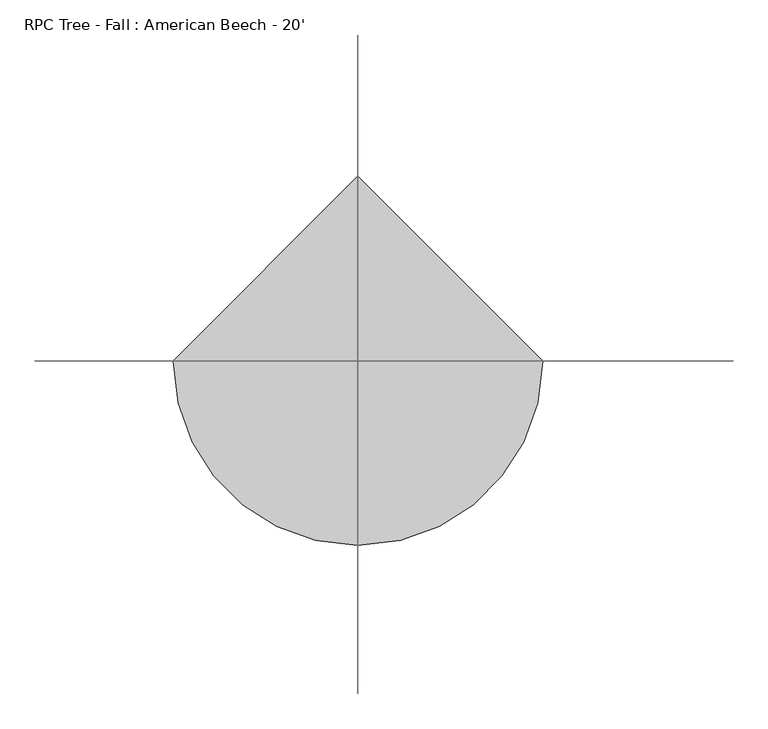
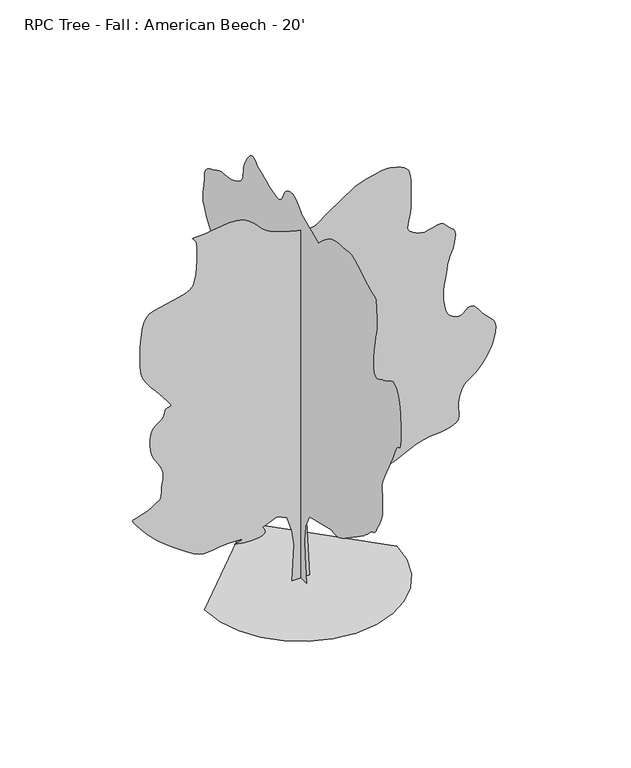
"""IFC4 building model written with IfcOpenShell, lengths in millimetres: geographic element geometry, RPC Tree - Fall : American Beech - 20'."""

import ifcopenshell
import ifcopenshell.guid

model = None  # the IFC model being written
_history = None  # IfcOwnerHistory: only IFC2X3 demands one
_inside = {}  # id of a spatial element -> (the spatial element, [elements in it])
_under = {}  # id of a project, library or spatial element -> (it, [spatial elements below it])
_declared = {}  # id of a project -> (the project, [libraries it declares])
_typed = {}  # id of a type object -> (the type object, [elements of that type])
_made_of = {}  # id of a material, layer set ... -> (it, [elements and type objects made of it])


def new_model(schema):
    """Start an empty IFC model of exactly this schema.

    Asked for "IFC4X3", IfcOpenShell would pick the latest addendum, in which some entities
    have other attributes; the version numbers below select the first issue.
    IFC2X3 requires an IfcOwnerHistory on every rooted entity: one is made here for all.
    """
    global model, _history
    if schema == "IFC4X3":
        model = ifcopenshell.file(schema_version=(4, 3, 0, 0))
    else:
        model = ifcopenshell.file(schema=schema)
    _inside.clear()
    _under.clear()
    _declared.clear()
    _typed.clear()
    _made_of.clear()
    _history = None
    if model.schema == "IFC2X3":
        org = make("IfcOrganization", Name="unknown")
        user = make(
            "IfcPersonAndOrganization",
            ThePerson=make("IfcPerson", FamilyName="unknown"),
            TheOrganization=org,
        )
        app = make(
            "IfcApplication",
            ApplicationDeveloper=org,
            Version="unknown",
            ApplicationFullName="unknown",
            ApplicationIdentifier="unknown",
        )
        _history = make(
            "IfcOwnerHistory",
            OwningUser=user,
            OwningApplication=app,
            ChangeAction="ADDED",
            CreationDate=0,
        )
    return model


def make(cls, **values):
    """One entity of the class cls with the attributes given. An attribute that is None is left unset."""
    return model.create_entity(
        cls, **{name: value for name, value in values.items() if value is not None}
    )


def rooted(cls, **values):
    """An entity with a GlobalId (a new one), such as an element, a storey or a relation."""
    return make(cls, GlobalId=ifcopenshell.guid.new(), OwnerHistory=_history, **values)


def si_unit(unit_type, name, prefix=None):
    """IfcSIUnit, for example si_unit("LENGTHUNIT", "METRE", prefix="MILLI")."""
    return make("IfcSIUnit", UnitType=unit_type, Prefix=prefix, Name=name)


def assignment(units):
    """IfcUnitAssignment: the units of a project."""
    return None if units is None else make("IfcUnitAssignment", Units=units)


def point(xyz):
    """IfcCartesianPoint."""
    return None if xyz is None else make("IfcCartesianPoint", Coordinates=xyz)


def direction(xyz):
    """IfcDirection."""
    return None if xyz is None else make("IfcDirection", DirectionRatios=xyz)


def frame(location, z_axis=None, x_axis=None):
    """IfcAxis2Placement3D, a coordinate frame: its origin and axes. An axis left out is left unset."""
    return make(
        "IfcAxis2Placement3D",
        Location=point(location),
        Axis=direction(z_axis),
        RefDirection=direction(x_axis),
    )


def origin():
    """The frame at (0, 0, 0) with its axes left unset."""
    return frame((0.0, 0.0, 0.0))


def place(relative_to, where):
    """IfcLocalPlacement: puts the frame where relative to a parent placement (None: the world)."""
    return make(
        "IfcLocalPlacement", PlacementRelTo=relative_to, RelativePlacement=where
    )


def context(
    kind, dimensions, precision=None, world=None, true_north=None, identifier=None
):
    """IfcGeometricRepresentationContext, for example the 3D "Model" context."""
    return make(
        "IfcGeometricRepresentationContext",
        ContextIdentifier=identifier,
        ContextType=kind,
        CoordinateSpaceDimension=dimensions,
        Precision=precision,
        WorldCoordinateSystem=world,
        TrueNorth=true_north,
    )


def project(units=None, contexts=None):
    """IfcProject with its units and contexts."""
    return rooted(
        "IfcProject",
        Name="project",
        RepresentationContexts=contexts,
        UnitsInContext=assignment(units),
    )


def spatial(cls, under=None, at=None, **own):
    """A site, building, storey or space (cls), placed at a placement, below another one or the project."""
    s = rooted(cls, ObjectPlacement=at, **own)
    if under is not None:
        _under.setdefault(under.id(), (under, []))[1].append(s)
    return s


def point_list(points):
    """IfcCartesianPointList2D or 3D."""
    cls = (
        "IfcCartesianPointList2D" if len(points[0]) == 2 else "IfcCartesianPointList3D"
    )
    return make(cls, CoordList=points)


def triangles(points, corners, closed=None, point_numbers=None):
    """IfcTriangulatedFaceSet: each triangle names its three corners, points numbered from 1."""
    return make(
        "IfcTriangulatedFaceSet",
        Coordinates=point_list(points),
        Closed=closed,
        CoordIndex=corners,
        PnIndex=point_numbers,
    )


def shape(context_of_items, identifier, shape_type, items):
    """IfcShapeRepresentation: the items that make up one representation, for example the "Body"."""
    return make(
        "IfcShapeRepresentation",
        ContextOfItems=context_of_items,
        RepresentationIdentifier=identifier,
        RepresentationType=shape_type,
        Items=items,
    )


def source(mapping_origin, context_of_items, identifier, shape_type, items):
    """IfcRepresentationMap: a shape defined once, which mapped items show again and again."""
    return make(
        "IfcRepresentationMap",
        MappingOrigin=mapping_origin,
        MappedRepresentation=shape(context_of_items, identifier, shape_type, items),
    )


def transform(
    local_origin,
    x_axis=None,
    y_axis=None,
    z_axis=None,
    scale=None,
    scale2=None,
    scale3=None,
    uniform=True,
):
    """IfcCartesianTransformationOperator3D, or its non-uniform kind. x_axis, y_axis, z_axis: its Axis1, 2, 3."""
    if uniform:
        return make(
            "IfcCartesianTransformationOperator3D",
            Axis1=direction(x_axis),
            Axis2=direction(y_axis),
            LocalOrigin=point(local_origin),
            Scale=scale,
            Axis3=direction(z_axis),
        )
    return make(
        "IfcCartesianTransformationOperator3DnonUniform",
        Axis1=direction(x_axis),
        Axis2=direction(y_axis),
        LocalOrigin=point(local_origin),
        Scale=scale,
        Axis3=direction(z_axis),
        Scale2=scale2,
        Scale3=scale3,
    )


def mapped(mapping_source, mapping_target):
    """IfcMappedItem: shows the shape of a source again, moved by a transform."""
    return make(
        "IfcMappedItem", MappingSource=mapping_source, MappingTarget=mapping_target
    )


def made_of(thing, what):
    """Note that an element or type object is made of a material, layer set ...; save() writes the relation."""
    if what is not None:
        _made_of.setdefault(what.id(), (what, []))[1].append(thing)
    return thing


def element(
    cls,
    number,
    at=None,
    inside=None,
    cuts=None,
    type_object=None,
    material=None,
    context=None,
    identifier="Body",
    shape_type=None,
    held_by="IfcProductDefinitionShape",
    body=None,
    shapes=None,
    **own,
):
    """One element of the class cls, such as IfcWall. Its Tag is "e" and its number.

    at: its placement. inside: the storey or other place that contains it. cuts: it is an
    opening in that element (IfcRelVoidsElement). A single representation is given by context,
    identifier, shape_type and body (its items); several are given by shapes. held_by: the class
    of the entity that holds the representations. save() writes the other relations.
    """
    e = rooted(cls, Tag="e%d" % number, ObjectPlacement=at, **own)
    if body is not None:
        shapes = [shape(context, identifier, shape_type, body)]
    if shapes is not None:
        e.Representation = make(held_by, Representations=shapes)
    if inside is not None:
        _inside.setdefault(inside.id(), (inside, []))[1].append(e)
    if cuts is not None:
        rooted(
            "IfcRelVoidsElement", RelatingBuildingElement=cuts, RelatedOpeningElement=e
        )
    if type_object is not None:
        _typed.setdefault(type_object.id(), (type_object, []))[1].append(e)
    return made_of(e, material)


def aggregate(whole, parts):
    """IfcRelAggregates: a whole, such as a stair, and the parts it consists of."""
    return rooted("IfcRelAggregates", RelatingObject=whole, RelatedObjects=parts)


def save(model, path):
    """Write the relations noted so far, then the file.

    IfcRelAggregates (storeys below a building ...), IfcRelContainedInSpatialStructure (elements
    in a storey), IfcRelDefinesByType, IfcRelAssociatesMaterial and IfcRelDeclares: one each for
    every whole, place, type object, material and project.
    """
    for whole, parts in _under.values():
        aggregate(whole, parts)
    for where, things in _inside.values():
        rooted(
            "IfcRelContainedInSpatialStructure",
            RelatedElements=things,
            RelatingStructure=where,
        )
    for kind, things in _typed.values():
        rooted("IfcRelDefinesByType", RelatedObjects=things, RelatingType=kind)
    for what, things in _made_of.values():
        rooted("IfcRelAssociatesMaterial", RelatedObjects=things, RelatingMaterial=what)
    for by, libraries in _declared.values():
        rooted("IfcRelDeclares", RelatingContext=by, RelatedDefinitions=libraries)
    model.write(path)


def rpc_tree_fall_american_beech_20_b3c041c8(model_context):
    return source(origin(), model_context, "Body", "Tessellation", [
        triangles([(0.0009889, 136.856581, 0.0), (0.0009889, -149.8547884, 0.0), (0.0009889, -111.6264895, 420.510052), (0.0009889, -102.0697236, 659.4353302), (0.0009889, -121.1832463, 898.3606447), (0.0009889, -235.8678885, 1118.172373), (0.0009889, -818.8458761, 1261.5275036), (0.0009889, -849.9431059, 1249.7139805), (0.0009889, -883.2933231, 1240.7427258), (0.0009889, -921.1596891, 1237.4533916), (0.0009889, -965.7976622, 1242.6934788), (0.0009889, -1019.4603024, 1259.3000233), (0.0009889, -1084.4081549, 1290.1152935), (0.0009889, -1162.8992941, 1337.984174), (0.0009889, -1478.2811337, 1557.7959023), (0.0009889, -1522.8632961, 1589.1420994), (0.0009889, -1566.942437, 1618.9819931), (0.0009889, -1611.1893002, 1649.3249084), (0.0009889, -1656.2718681, 1682.1772636), (0.0009889, -1702.8579781, 1719.5406807), (0.0009889, -1751.6183739, 1763.4243393), (0.0009889, -1803.2210381, 1815.834803), (0.0009889, -1847.9404015, 1858.0191467), (0.0009889, -1878.9512993, 1877.1351311), (0.0009889, -1901.2702858, 1884.0440117), (0.0009889, -1919.9112991, 1889.616782), (0.0009889, -1939.8884228, 1904.7196392), (0.0009889, -1966.2180656, 1940.2161644), (0.0009889, -2003.916782, 2006.9774963), (0.0009889, -2044.9607883, 2083.2080177), (0.0009889, -2078.313549, 2145.2324295), (0.0009889, -2104.4754696, 2201.0692829), (0.0009889, -2123.9521877, 2258.7475937), (0.0009889, -2137.244109, 2326.2862038), (0.0009889, -2144.8488773, 2411.7141289), (0.0009889, -2147.2746014, 2523.0550072), (0.0009889, -2142.5373905, 2624.8889076), (0.0009889, -2132.7863869, 2688.2873634), (0.0009889, -2124.7040314, 2730.9338882), (0.0009889, -2124.9835201, 2770.583503), (0.0009889, -2140.3072941, 2824.9394875), (0.0009889, -2177.3659332, 2911.7568626), (0.0009889, -2242.84464, 3048.6883301), (0.0009889, -2308.7119858, 3181.9621719), (0.0009889, -2348.5011269, 3259.3812836), (0.0009889, -2371.2366577, 3301.215358), (0.0009889, -2385.9484051, 3327.6567673), (0.0009889, -2401.6632889, 3358.9496246), (0.0009889, -2427.4088104, 3415.3121727), (0.0009889, -2472.2118896, 3516.9885246), (0.0009889, -2522.8114174, 3609.6476944), (0.0009889, -2561.0332123, 3645.1568642), (0.0009889, -2588.5669968, 3652.9040657), (0.0009889, -2607.0580193, 3662.3273277), (0.0009889, -2618.2087921, 3702.8402618), (0.0009889, -2623.669796, 3803.856189), (0.0009889, -2625.117382, 3994.8390083), (0.0009889, -2615.3639076, 4210.713913), (0.0009889, -2589.2271309, 4371.4450905), (0.0009889, -2551.406765, 4483.8402649), (0.0009889, -2506.5400269, 4554.7824463), (0.0009889, -2459.3391289, 4591.1043571), (0.0009889, -2414.4802391, 4599.6895889), (0.0009889, -2376.641851, 4587.3705734), (0.0009889, -2343.8477772, 4566.9491455), (0.0009889, -2310.8862717, 4546.8576393), (0.0009889, -2277.5893215, 4527.4521378), (0.0009889, -2243.7921112, 4509.0116936), (0.0009889, -2209.3243023, 4491.9426773), (0.0009889, -2174.0232594, 4476.5250137), (0.0009889, -2137.7164639, 4463.1392029), (0.0009889, -2096.4236355, 4443.6572525), (0.0009889, -2049.6139927, 4418.4858238), (0.0009889, -2002.3013283, 4400.6805153), (0.0009889, -1959.504958, 4403.2713455), (0.0009889, -1926.2359131, 4439.313913), (0.0009889, -1907.5110386, 4521.8132378), (0.0009889, -1908.3467434, 4663.8246277), (0.0009889, -1923.6450829, 4819.4253044), (0.0009889, -1942.954224, 4940.7356323), (0.0009889, -1963.266647, 5037.9669067), (0.0009889, -1981.572361, 5121.3298416), (0.0009889, -1994.8642822, 5201.0354416), (0.0009889, -2000.1296585, 5287.2429703), (0.0009889, -1994.3614059, 5390.1634323), (0.0009889, -1986.3653824, 5488.9190323), (0.0009889, -1983.048143, 5559.911792), (0.0009889, -1978.5625156, 5609.3407516), (0.0009889, -1967.0562412, 5643.3764648), (0.0009889, -1942.6748806, 5668.2429703), (0.0009889, -1899.5709709, 5690.0869858), (0.0009889, -1831.8926891, 5715.1063889), (0.0009889, -1748.4408062, 5751.9616974), (0.0009889, -1662.820015, 5800.5261749), (0.0009889, -1576.3582867, 5853.7903656), (0.0009889, -1490.4020508, 5904.6919098), (0.0009889, -1406.2848015, 5946.2207703), (0.0009889, -1325.3426491, 5971.3924896), (0.0009889, -1248.913884, 5973.1447083), (0.0009889, -1174.2403896, 5963.3406555), (0.0009889, -1098.5636135, 5956.711409), (0.0009889, -1023.222064, 5950.5641098), (0.0009889, -949.5518515, 5942.2588028), (0.0009889, -878.8914843, 5929.1264648), (0.0009889, -812.5771454, 5908.4509827), (0.0009889, -751.9472706, 5877.5644958), (0.0009889, -697.9494038, 5841.2678741), (0.0009889, -649.9687569, 5805.9618896), (0.0009889, -607.0045916, 5771.4942261), (0.0009889, -568.0511189, 5737.7119858), (0.0009889, -532.1075644, 5704.4128555), (0.0009889, -498.1706097, 5671.4433563), (0.0009889, -465.2369368, 5638.6523346), (0.0009889, -16.056217, 5829.7871796), (0.0009889, 22.8405617, 5872.4339951), (0.0009889, 61.6537222, 5913.023378), (0.0009889, 100.2998553, 5949.3961578), (0.0009889, 138.6950317, 5979.5204819), (0.0009889, 176.7559443, 6001.2883392), (0.0009889, 214.3990318, 6012.5911377), (0.0009889, 251.5404602, 6011.3720261), (0.0009889, 287.2056524, 6002.4312927), (0.0009889, 320.3628219, 5991.305809), (0.0009889, 350.8454089, 5977.0055191), (0.0009889, 378.4856913, 5958.5397858), (0.0009889, 403.1160919, 5934.892392), (0.0009889, 424.5689612, 5905.047702), (0.0009889, 442.6817001, 5868.0144974), (0.0009889, 459.9562634, 5826.9425858), (0.0009889, 480.2407084, 5787.547316), (0.0009889, 505.3740581, 5752.6727005), (0.0009889, 537.1926464, 5725.138916), (0.0009889, 577.5380399, 5707.7911377), (0.0009889, 628.2491524, 5703.5239563), (0.0009889, 691.1650068, 5715.1063889), (0.0009889, 759.6790661, 5736.9754028), (0.0009889, 826.1890326, 5761.3593796), (0.0009889, 891.0251186, 5787.8263687), (0.0009889, 954.5251671, 5815.9694183), (0.0009889, 1017.0218611, 5845.3577408), (0.0009889, 1078.8506453, 5875.5832214), (0.0009889, 1140.3440575, 5906.2412338), (0.0009889, 1169.0715191, 5932.3524307), (0.0009889, 1198.1316639, 5955.3649796), (0.0009889, 1227.8624073, 5972.2052307), (0.0009889, 1258.5938164, 5979.7489563), (0.0009889, 1290.6664227, 5974.9230881), (0.0009889, 1324.4078224, 5954.6539764), (0.0009889, 1360.1557858, 5915.7918137), (0.0009889, 1395.1799561, 5868.217392), (0.0009889, 1426.1908539, 5822.9544571), (0.0009889, 1452.6880737, 5778.8856354), (0.0009889, 1474.1715008, 5734.7912338), (0.0009889, 1490.1379681, 5689.5538788), (0.0009889, 1500.0845993, 5641.9538773), (0.0009889, 1503.510989, 5590.8494385), (0.0009889, 1507.2168674, 5539.3380478), (0.0009889, 1519.1142517, 5491.1793594), (0.0009889, 1540.3740005, 5446.1704788), (0.0009889, 1572.1672634, 5404.1846695), (0.0009889, 1615.6596668, 5365.0428726), (0.0009889, 1672.0274471, 5328.5689362), (0.0009889, 1742.4363762, 5294.5832199), (0.0009889, 1817.5288857, 5269.1836075), (0.0009889, 1887.9378147, 5255.1373718), (0.0009889, 1954.8363476, 5247.4407486), (0.0009889, 2019.3956337, 5241.0911362), (0.0009889, 2082.7839157, 5231.0580276), (0.0009889, 2146.1721977, 5212.3382401), (0.0009889, 2210.7313385, 5179.9024292), (0.0009889, 2276.3498623, 5145.3580261), (0.0009889, 2340.1267834, 5118.8404587), (0.0009889, 2399.0573433, 5093.1356323), (0.0009889, 2450.1315514, 5061.106192), (0.0009889, 2490.3372368, 5015.5136261), (0.0009889, 2516.667025, 4949.193837), (0.0009889, 2526.1132507, 4854.9597633), (0.0009889, 2532.46577, 4758.008123), (0.0009889, 2546.5044479, 4681.9348595), (0.0009889, 2560.7285797, 4617.2411339), (0.0009889, 2567.5865913, 4554.3760757), (0.0009889, 2559.5600464, 4483.8402649), (0.0009889, 2529.1232414, 4396.0578323), (0.0009889, 2468.7702393, 4281.5543564), (0.0009889, 2394.0992157, 4166.6192207), (0.0009889, 2326.6139454, 4078.2525215), (0.0009889, 2267.6553349, 4007.9707649), (0.0009889, 2218.5596397, 3947.1884285), (0.0009889, 2180.6679119, 3887.4223091), (0.0009889, 2155.3111748, 3820.1377533), (0.0009889, 2143.8328056, 3736.8001076), (0.0009889, 2149.4334812, 3646.0204742), (0.0009889, 2171.0820145, 3561.7686401), (0.0009889, 2203.7667927, 3483.5112076), (0.0009889, 2242.4687908, 3410.790937), (0.0009889, 2282.1714546, 3343.1000107), (0.0009889, 2317.8662235, 3279.9047401), (0.0009889, 2344.5311657, 3220.7225967), (0.0009889, 2370.3577869, 3180.6921913), (0.0009889, 2402.5396889, 3164.8934464), (0.0009889, 2434.5538685, 3157.7813805), (0.0009889, 2459.8827003, 3143.8113029), (0.0009889, 2472.0037628, 3107.4638123), (0.0009889, 2464.3963783, 3033.1433487), (0.0009889, 2430.5432121, 2905.3305107), (0.0009889, 2383.9011463, 2761.3378464), (0.0009889, 2340.6017544, 2643.9136185), (0.0009889, 2298.1379219, 2545.7425758), (0.0009889, 2254.0028252, 2459.415287), (0.0009889, 2205.6894951, 2377.6095245), (0.0009889, 2150.6857304, 2292.9614937), (0.0009889, 2086.4897942, 2198.1177189), (0.0009889, 2022.098085, 2102.5196297), (0.0009889, 1968.0723129, 2019.6267242), (0.0009889, 1924.2446102, 1948.102747), (0.0009889, 1890.4447838, 1886.6067913), (0.0009889, 1866.5103436, 1833.8078339), (0.0009889, 1852.2735672, 1788.3620613), (0.0009889, 1847.564407, 1748.9361248), (0.0009889, 1851.5776794, 1721.8800728), (0.0009889, 1860.940044, 1709.2029396), (0.0009889, 1871.6386642, 1703.0459026), (0.0009889, 1879.6624477, 1695.5504299), (0.0009889, 1881.0010288, 1678.8600243), (0.0009889, 1871.6386642, 1645.1186245), (0.0009889, 1847.564407, 1586.4675533), (0.0009889, 1827.5314728, 1524.5828133), (0.0009889, 1825.3850922, 1482.2587978), (0.0009889, 1829.7590984, 1453.3104195), (0.0009889, 1829.2865982, 1431.547649), (0.0009889, 1812.5961926, 1410.7907764), (0.0009889, 1768.3214241, 1384.8497726), (0.0009889, 1685.0958355, 1347.5421661), (0.0009889, 1594.399918, 1309.4244347), (0.0009889, 1528.281134, 1282.5080544), (0.0009889, 1476.2059696, 1262.7823689), (0.0009889, 1427.6412014, 1246.2316349), (0.0009889, 1372.05317, 1228.8453415), (0.0009889, 1298.9138844, 1206.6102161), (0.0009889, 1197.6871416, 1175.5154572), (0.0009889, 1096.069289, 1145.7009253), (0.0009889, 1022.5387482, 1127.7557997), (0.0009889, 967.7331545, 1118.3400227), (0.0009889, 922.2874546, 1114.10329), (0.0009889, 876.8442255, 1111.7080873), (0.0009889, 822.0360884, 1107.806654), (0.0009889, 748.5055475, 1099.0588594), (0.0009889, 662.4935011, 1085.0990284), (0.0009889, 576.4788749, 1068.1292793), (0.0009889, 490.4667558, 1048.6551046), (0.0009889, 404.4521296, 1027.1717503), (0.0009889, 318.4400468, 1004.1847086), (0.0009889, 232.4266923, 980.1943851), (0.0009889, 146.4133378, 955.7037289), (136.1842383, 0.0003154, 0.014068), (-131.4120823, 0.0003154, 0.014068), (-102.7410489, 0.0002819, 563.8778998), (-131.4120823, 0.0002692, 793.2477293), (-207.8684348, 0.0002549, 1032.1729712), (-360.7819027, 0.0002501, 1108.6296415), (-580.5936673, 0.0002549, 1013.0594576), (-562.704425, 0.0002564, 988.5662579), (-548.0765751, 0.000258, 964.5784779), (-539.9688578, 0.0002596, 941.5914362), (-541.6401947, 0.0002612, 920.1080818), (-556.3518694, 0.0002628, 900.6313637), (-587.3627672, 0.0002628, 883.6641581), (-637.9342443, 0.0002644, 869.704327), (-697.421093, 0.0002644, 860.4815615), (-753.4001616, 0.0002644, 856.775683), (-806.4506298, 0.0002644, 857.667271), (-857.1617786, 0.0002644, 862.2366869), (-906.117802, 0.0002644, 869.5645826), (-953.9028214, 0.0002628, 878.731465), (-1001.1011759, 0.0002628, 888.8178406), (-953.2881786, 0.0002628, 900.9945683), (-913.501581, 0.0002612, 912.5008427), (-889.7601522, 0.0002612, 922.6710068), (-890.0954515, 0.0002596, 930.8345346), (-922.5287189, 0.0002596, 936.3235165), (-995.0838833, 0.0002596, 938.4698244), (-1115.7848007, 0.0002596, 936.6028599), (-1242.9524746, 0.0002612, 927.8271601), (-1337.3542706, 0.0002612, 914.3677345), (-1410.6891838, 0.0002612, 903.2500992), (-1474.6617325, 0.0002612, 901.4949738), (-1540.9759987, 0.0002612, 916.12286), (-1621.3340298, 0.0002596, 954.1568756), (-1727.4351116, 0.0002549, 1022.614979), (-1845.0726986, 0.0002501, 1105.8432564), (-1952.34711, 0.0002453, 1184.0549795), (-2049.4209812, 0.0002405, 1258.0858532), (-2136.46436, 0.0002373, 1328.7765965), (-2213.6472942, 0.0002326, 1396.9554291), (-2281.1300938, 0.0002278, 1463.4653229), (-2339.0852772, 0.0002246, 1529.1396572), (-2391.8031349, 0.0002214, 1592.6651402), (-2441.3431343, 0.0002166, 1651.1791557), (-2484.5309052, 0.0002134, 1703.170459), (-2518.1884438, 0.0002118, 1747.1378334), (-2539.1409439, 0.0002103, 1781.577737), (-2544.218541, 0.0002087, 1804.9838665), (-2530.2254997, 0.0002071, 1815.8500637), (-2498.742247, 0.0002071, 1822.7308937), (-2456.2227493, 0.0002071, 1834.628278), (-2406.8475655, 0.0002055, 1850.7065117), (-2354.8003063, 0.0002039, 1870.1272739), (-2304.2568798, 0.0002023, 1892.0551506), (-2259.3978447, 0.0002023, 1915.6542915), (-2224.401725, 0.0002007, 1940.091608), (-2196.9849392, 0.0001991, 1958.6464348), (-2172.4078056, 0.0001991, 1969.1798035), (-2151.1759621, 0.0001975, 1977.7066086), (-2133.7896687, 0.0001975, 1990.2439247), (-2120.7518017, 0.0001959, 2012.8144947), (-2112.5602959, 0.0001927, 2051.4326317), (-2109.7180275, 0.0001895, 2112.118317), (-2105.7607109, 0.0001864, 2181.0514641), (-2096.7894562, 0.0001816, 2242.2935108), (-2087.1476028, 0.0001784, 2298.6891964), (-2081.1861935, 0.0001752, 2353.0781731), (-2083.2487129, 0.000172, 2408.3028545), (-2097.6809715, 0.0001688, 2467.2028931), (-2128.8315411, 0.0001641, 2532.6259346), (-2168.3971493, 0.0001609, 2596.7202782), (-2204.2849297, 0.0001577, 2653.2860115), (-2235.1560104, 0.0001545, 2707.6675758), (-2259.6771881, 0.0001513, 2765.2239464), (-2276.5047947, 0.0001465, 2831.3149704), (-2284.3076614, 0.0001418, 2911.2740433), (-2281.7447365, 0.000137, 3010.4865921), (-2264.5514545, 0.0001306, 3102.7902603), (-2233.1494469, 0.0001274, 3164.9948936), (-2193.2231049, 0.0001242, 3206.8286774), (-2150.4520237, 0.0001226, 3237.9439293), (-2110.525827, 0.0001211, 3268.0682533), (-2079.123674, 0.0001179, 3306.8795471), (-2061.9330082, 0.0001147, 3364.0804161), (-2043.9599773, 0.0001131, 3413.0262657), (-2014.1200836, 0.0001115, 3431.3396828), (-1983.9422745, 0.0001115, 3435.3019409), (-1964.9684326, 0.0001099, 3441.0931572), (-1968.7301216, 0.0001099, 3464.9437363), (-2006.7641373, 0.0001051, 3523.0843735), (-2090.6020432, 9.88e-05, 3631.6948952), (-2191.4121689, 9.24e-05, 3753.7165169), (-2273.3296978, 8.6e-05, 3849.6778107), (-2337.3582024, 8.12e-05, 3932.1009773), (-2384.5031445, 7.65e-05, 4013.5079269), (-2415.7654804, 7.17e-05, 4106.47202), (-2432.1484921, 6.37e-05, 4223.4898773), (-2434.6554611, 5.42e-05, 4377.1345688), (-2429.5297565, 4.46e-05, 4541.5998207), (-2420.5585018, 3.66e-05, 4683.0016548), (-2405.0643894, 3.03e-05, 4801.6705742), (-2380.3781055, 2.39e-05, 4897.9365005), (-2343.822488, 1.91e-05, 4972.1558075), (-2292.720084, 1.59e-05, 5024.6066757), (-2224.401725, 1.43e-05, 5055.6710587), (-2138.4149677, 1.27e-05, 5074.7972168), (-2040.8941761, 1.27e-05, 5092.7292618), (-1939.0274288, 1.11e-05, 5111.8554199), (-1840.0028046, 9.6e-06, 5134.487178), (-1751.0088181, 8e-06, 5162.9604401), (-1679.2334026, 6.4e-06, 5199.612854), (-1631.8649277, 3.2e-06, 5246.8314835), (-1604.1128426, -1.6e-06, 5316.4272354), (-1585.3905842, -6.4e-06, 5411.6010773), (-1574.1890877, -1.27e-05, 5521.6594757), (-1569.0075726, -2.07e-05, 5635.9088974), (-1568.336974, -2.71e-05, 5743.6302292), (-1570.6788368, -3.19e-05, 5834.1305191), (-1574.524387, -3.5e-05, 5896.690654), (-1585.918895, -3.82e-05, 5936.1626633), (-1606.0102558, -3.98e-05, 5965.4230865), (-1625.9315689, -4.14e-05, 5985.9718323), (-1636.825526, -4.14e-05, 5999.3576431), (-1629.8329296, -4.3e-05, 6007.0286865), (-1596.0890591, -4.3e-05, 6010.559285), (-1526.7393677, -4.3e-05, 6011.3976059), (-1428.7715103, -4.3e-05, 6017.8233765), (-1318.7690678, -4.46e-05, 6032.4538788), (-1202.2439129, -4.46e-05, 6048.2529144), (-1084.7180197, -4.46e-05, 6058.184285), (-971.7057318, -4.46e-05, 6055.263533), (-868.7238636, -4.46e-05, 6032.4538788), (-781.2893749, -4.14e-05, 5982.7208679), (-714.8937183, -3.66e-05, 5922.6245361), (-665.5465851, -3.34e-05, 5871.6974121), (-624.5610781, -3.19e-05, 5827.4756927), (-583.2403444, -2.87e-05, 5787.445578), (-532.8924365, -2.71e-05, 5749.0915237), (-464.8228995, -2.39e-05, 5709.8735687), (-370.3373878, -2.23e-05, 5667.3284912), (-260.8632923, -1.91e-05, 5627.3745346), (-155.7366604, -1.75e-05, 5596.9449966), (-58.1322665, -1.59e-05, 5575.0504028), (28.7726351, -1.59e-05, 5560.6739548), (101.8020074, -1.59e-05, 5552.8255966), (157.7788323, -1.43e-05, 5550.4629501), (193.5270681, -1.59e-05, 5552.6477005), (219.2725352, -1.59e-05, 5560.6233765), (247.3583572, -1.59e-05, 5575.4311935), (277.7847885, -1.75e-05, 5595.7770447), (310.5508118, -1.91e-05, 5620.2877579), (345.6587342, -2.07e-05, 5647.6692261), (383.1059761, -2.23e-05, 5676.5232788), (422.8950809, -2.39e-05, 5705.555809), (805.1781057, -3.98e-05, 5963.5947098), (830.3647951, -3.98e-05, 5972.992392), (896.679134, -4.14e-05, 5996.5892075), (990.2426817, -4.3e-05, 6027.5518524), (1097.1817938, -4.62e-05, 6058.9970261), (1203.6180296, -4.62e-05, 6084.1175858), (1295.67789, -4.78e-05, 6096.0046509), (1359.4853325, -4.78e-05, 6087.8516602), (1407.4912685, -4.62e-05, 6070.6556168), (1459.1777939, -4.46e-05, 6056.8128571), (1511.1996185, -4.46e-05, 6041.4457718), (1560.2089817, -4.3e-05, 6019.7540726), (1602.8682964, -4.14e-05, 5986.835733), (1635.8299473, -3.82e-05, 5937.8898834), (1655.7537312, -3.34e-05, 5868.0394958), (1665.3091072, -2.87e-05, 5789.7820633), (1670.1859898, -2.55e-05, 5717.2399796), (1671.5500053, -2.07e-05, 5647.8471222), (1670.5746288, -1.75e-05, 5579.1396881), (1668.4282482, -1.27e-05, 5508.6038773), (1666.2844837, -8e-06, 5433.699147), (1665.3091072, -3.2e-06, 5351.9622757), (1660.2367424, 1.6e-06, 5270.5806152), (1648.1463467, 6.4e-06, 5198.4187408), (1633.7114719, 9.6e-06, 5135.2743393), (1621.6186054, 1.27e-05, 5081.0200928), (1616.5487114, 1.59e-05, 5035.4269455), (1623.1807194, 1.75e-05, 4998.368161), (1646.1955936, 1.91e-05, 4969.6664246), (1678.4054008, 2.07e-05, 4946.8317719), (1709.6119263, 2.23e-05, 4927.324823), (1739.9826015, 2.23e-05, 4910.992099), (1769.6829689, 2.39e-05, 4897.6824463), (1798.8852562, 2.39e-05, 4887.1923889), (1827.7499187, 2.55e-05, 4879.3946091), (1856.4493298, 2.55e-05, 4874.0862122), (1893.0609032, 2.55e-05, 4877.1087021), (1942.2125542, 2.39e-05, 4889.9864044), (1998.8851124, 2.39e-05, 4906.1918106), (2058.0671104, 2.23e-05, 4919.2474091), (2114.7396687, 2.23e-05, 4922.5745316), (2163.8911743, 2.39e-05, 4909.6968292), (2200.5028931, 2.55e-05, 4874.0862122), (2230.4850746, 2.71e-05, 4834.208123), (2261.3003448, 2.87e-05, 4807.6649757), (2290.2766285, 3.03e-05, 4786.8368866), (2314.7419956, 3.19e-05, 4763.9769447), (2332.0165226, 3.34e-05, 4731.4396866), (2339.4282795, 3.66e-05, 4681.5031998), (2334.3025749, 4.14e-05, 4606.4970222), (2319.8956055, 4.62e-05, 4526.9440292), (2302.1485783, 4.94e-05, 4463.951944), (2282.3925167, 5.26e-05, 4410.6627548), (2261.9683273, 5.57e-05, 4360.1928703), (2242.2147366, 5.89e-05, 4305.7098587), (2224.4652386, 6.37e-05, 4240.3809975), (2210.0608852, 6.85e-05, 4157.3229858), (2196.9087811, 7.33e-05, 4068.4481781), (2183.2562714, 7.8e-05, 3988.0827347), (2170.9397266, 8.28e-05, 3913.0762665), (2161.8007496, 8.76e-05, 3840.2289688), (2157.6783268, 9.08e-05, 3766.3913246), (2160.4088287, 9.56e-05, 3688.3876556), (2171.831242, 0.0001003, 3603.0181572), (2189.9719952, 0.0001051, 3525.0147789), (2211.6203831, 0.0001083, 3468.2711494), (2236.7791672, 0.0001115, 3428.240744), (2265.4506729, 0.0001131, 3400.402327), (2297.6324295, 0.0001147, 3380.2602425), (2333.3271984, 0.0001147, 3363.2673843), (2372.5296021, 0.0001163, 3344.9795471), (2412.5675652, 0.0001163, 3342.4901642), (2451.7724396, 0.0001147, 3366.0869797), (2491.642971, 0.0001131, 3400.8848557), (2533.6901138, 0.0001115, 3432.0253967), (2579.4227875, 0.0001099, 3444.5728867), (2630.3246223, 0.0001115, 3423.7195084), (2687.906282, 0.0001163, 3354.5298363), (2749.8568611, 0.0001211, 3269.9730789), (2810.1313797, 0.0001242, 3206.9557045), (2864.6905495, 0.0001274, 3156.6637161), (2909.5976921, 0.0001306, 3110.2325386), (2940.7635223, 0.0001338, 3058.7720169), (2954.2254913, 0.000137, 2993.4178665), (2945.9451828, 0.0001434, 2905.3557999), (2924.1520363, 0.0001481, 2810.6139084), (2899.209082, 0.0001529, 2729.079641), (2870.2277115, 0.0001577, 2657.6040619), (2836.3948929, 0.0001609, 2592.9612053), (2796.8723053, 0.0001641, 2531.9858574), (2750.8474983, 0.0001688, 2471.5235596), (2697.4568619, 0.000172, 2408.3842449), (2642.4404526, 0.0001752, 2354.2186558), (2591.9196991, 0.0001784, 2316.7713776), (2545.7425758, 0.00018, 2287.0127289), (2503.7637428, 0.0001816, 2255.9181152), (2465.7858284, 0.0001832, 2214.4575645), (2431.6531734, 0.000188, 2153.606773), (2401.2011078, 0.0001927, 2064.3332977), (2384.7901909, 0.0001991, 1965.7532684), (2385.7654221, 0.0002039, 1881.8849865), (2393.4261463, 0.0002071, 1811.0570423), (2397.0760689, 0.0002118, 1751.5981716), (2386.0143894, 0.000215, 1701.8343487), (2349.5424877, 0.0002166, 1660.0945999), (2276.9594181, 0.0002182, 1624.7096958), (2189.7484623, 0.0002198, 1601.1638947), (2111.7322941, 0.0002214, 1590.8261536), (2035.7202187, 0.0002214, 1585.8401207), (1954.5264828, 0.0002214, 1578.3445026), (1860.9630077, 0.000223, 1560.4858543), (1747.8389534, 0.0002246, 1524.4025917), (1607.9660957, 0.0002294, 1462.2385082), (1455.667543, 0.0002326, 1390.7425816), (1311.7282185, 0.0002357, 1331.4512878), (1178.6524023, 0.0002389, 1283.6941738), (1058.9547667, 0.0002421, 1246.8031116), (955.1372663, 0.0002437, 1220.1102642), (869.7094139, 0.0002437, 1202.9449602), (805.1781057, 0.0002453, 1194.641688), (403.7815673, 0.0002453, 1185.0862392), (107.513205, 0.0002485, 1137.3011473), (88.3996914, 0.0002628, 879.2597757), (-1453.7574852, 0.0, 0.0120292), (-1415.3246567, -333.1060121, 0.0120292), (-1305.8708725, -639.0085974, 0.0120292), (-1134.1566444, -908.9473532, 0.0120292), (-908.9473532, -1134.1566444, 0.0120292), (-639.0085974, -1305.8708725, 0.0120292), (-333.1060121, -1415.3246567, 0.0120292), (6.35e-05, -1453.7574852, 0.0120292), (333.1060121, -1415.3246567, 0.0120292), (639.0085974, -1305.8708725, 0.0120292), (908.9473532, -1134.1566444, 0.0120292), (1134.1566444, -908.9473532, 0.0120292), (1305.8708725, -639.0085974, 0.0120292), (1415.3246567, -333.1060121, 0.0120292), (1453.7574852, 0.0001274, 0.0120292), (-0.0001906, 1453.7574852, 0.0120292)], [[1, 2, 3], [254, 1, 3], [254, 3, 4], [254, 4, 5], [254, 5, 6], [53, 54, 55], [52, 53, 55], [201, 202, 203], [201, 203, 204], [200, 201, 204], [222, 223, 224], [52, 55, 56], [200, 204, 205], [199, 200, 205], [253, 254, 6], [221, 222, 224], [221, 224, 225], [229, 230, 231], [229, 231, 232], [228, 229, 232], [228, 232, 233], [227, 228, 233], [252, 253, 6], [221, 225, 226], [220, 221, 226], [199, 205, 206], [198, 199, 206], [62, 63, 64], [61, 62, 64], [61, 64, 65], [60, 61, 65], [60, 65, 66], [59, 60, 66], [59, 66, 67], [59, 67, 68], [58, 59, 68], [58, 68, 69], [58, 69, 70], [57, 58, 70], [57, 70, 71], [57, 71, 72], [57, 72, 73], [57, 73, 74], [56, 57, 74], [52, 56, 74], [51, 52, 74], [50, 51, 74], [50, 74, 75], [49, 50, 75], [48, 49, 75], [47, 48, 75], [46, 47, 75], [45, 46, 75], [44, 45, 75], [43, 44, 75], [42, 43, 75], [42, 75, 76], [41, 42, 76], [227, 233, 234], [226, 227, 234], [220, 226, 234], [219, 220, 234], [219, 234, 235], [219, 235, 236], [219, 236, 237], [218, 219, 237], [218, 237, 238], [218, 238, 239], [218, 239, 240], [217, 218, 240], [217, 240, 241], [217, 241, 242], [217, 242, 243], [217, 243, 244], [217, 244, 245], [217, 245, 246], [216, 217, 246], [216, 246, 247], [215, 216, 247], [215, 247, 248], [251, 252, 6], [88, 89, 90], [88, 90, 91], [87, 88, 91], [87, 91, 92], [86, 87, 92], [86, 92, 93], [85, 86, 93], [84, 85, 93], [84, 93, 94], [83, 84, 94], [82, 83, 94], [81, 82, 94], [81, 94, 95], [80, 81, 95], [80, 95, 96], [80, 96, 97], [80, 97, 98], [80, 98, 99], [80, 99, 100], [80, 100, 101], [80, 101, 102], [80, 102, 103], [80, 103, 104], [80, 104, 105], [80, 105, 106], [80, 106, 107], [80, 107, 108], [80, 108, 109], [80, 109, 110], [80, 110, 111], [80, 111, 112], [79, 80, 112], [79, 112, 113], [78, 79, 113], [77, 78, 113], [76, 77, 113], [41, 76, 113], [40, 41, 113], [40, 113, 114], [39, 40, 114], [198, 206, 207], [197, 198, 207], [196, 197, 207], [196, 207, 208], [195, 196, 208], [195, 208, 209], [195, 209, 210], [195, 210, 211], [194, 195, 211], [194, 211, 212], [194, 212, 213], [193, 194, 213], [193, 213, 214], [214, 215, 248], [193, 214, 248], [193, 248, 249], [192, 193, 249], [192, 249, 250], [192, 250, 251], [192, 251, 6], [192, 6, 7], [191, 192, 7], [190, 191, 7], [189, 190, 7], [38, 39, 114], [37, 38, 114], [36, 37, 114], [35, 36, 114], [34, 35, 114], [33, 34, 114], [32, 33, 114], [31, 32, 114], [30, 31, 114], [29, 30, 114], [28, 29, 114], [27, 28, 114], [26, 27, 114], [25, 26, 114], [24, 25, 114], [23, 24, 114], [22, 23, 114], [21, 22, 114], [20, 21, 114], [19, 20, 114], [18, 19, 114], [17, 18, 114], [16, 17, 114], [15, 16, 114], [14, 15, 114], [13, 14, 114], [12, 13, 114], [11, 12, 114], [10, 11, 114], [9, 10, 114], [8, 9, 114], [7, 8, 114], [189, 7, 114], [188, 189, 114], [188, 114, 115], [188, 115, 116], [188, 116, 117], [188, 117, 118], [188, 118, 119], [188, 119, 120], [188, 120, 121], [146, 147, 148], [145, 146, 148], [144, 145, 148], [144, 148, 149], [143, 144, 149], [143, 149, 150], [142, 143, 150], [142, 150, 151], [142, 151, 152], [141, 142, 152], [141, 152, 153], [141, 153, 154], [141, 154, 155], [141, 155, 156], [140, 141, 156], [140, 156, 157], [139, 140, 157], [138, 139, 157], [138, 157, 158], [137, 138, 158], [137, 158, 159], [136, 137, 159], [135, 136, 159], [135, 159, 160], [134, 135, 160], [134, 160, 161], [174, 175, 176], [173, 174, 176], [173, 176, 177], [172, 173, 177], [171, 172, 177], [171, 177, 178], [170, 171, 178], [170, 178, 179], [169, 170, 179], [168, 169, 179], [167, 168, 179], [166, 167, 179], [165, 166, 179], [165, 179, 180], [165, 180, 181], [165, 181, 182], [165, 182, 183], [165, 183, 184], [165, 184, 185], [165, 185, 186], [165, 186, 187], [164, 165, 187], [164, 187, 188], [163, 164, 188], [162, 163, 188], [161, 162, 188], [134, 161, 188], [133, 134, 188], [132, 133, 188], [125, 126, 127], [124, 125, 127], [124, 127, 128], [123, 124, 128], [122, 123, 128], [121, 122, 128], [121, 128, 129], [121, 129, 130], [121, 130, 131], [188, 121, 131], [132, 188, 131], [274, 275, 276], [531, 255, 256], [531, 256, 257], [531, 257, 258], [531, 258, 259], [530, 531, 259], [376, 377, 378], [376, 378, 379], [375, 376, 379], [273, 274, 276], [273, 276, 277], [375, 379, 380], [374, 375, 380], [273, 277, 278], [272, 273, 278], [301, 302, 303], [301, 303, 304], [300, 301, 304], [300, 304, 305], [299, 300, 305], [299, 305, 306], [298, 299, 306], [298, 306, 307], [297, 298, 307], [297, 307, 308], [271, 272, 278], [296, 297, 308], [296, 308, 309], [373, 374, 380], [373, 380, 381], [372, 373, 381], [295, 296, 309], [295, 309, 310], [294, 295, 310], [294, 310, 311], [294, 311, 312], [294, 312, 313], [293, 294, 313], [293, 313, 314], [292, 293, 314], [271, 278, 279], [291, 292, 314], [530, 259, 260], [372, 381, 382], [371, 372, 382], [291, 314, 315], [290, 291, 315], [371, 382, 383], [370, 371, 383], [370, 383, 384], [369, 370, 384], [369, 384, 385], [369, 385, 386], [369, 386, 387], [369, 387, 388], [369, 388, 389], [369, 389, 390], [368, 369, 390], [368, 390, 391], [367, 368, 391], [367, 391, 392], [367, 392, 393], [366, 367, 393], [366, 393, 394], [270, 271, 279], [366, 394, 395], [338, 339, 340], [338, 340, 341], [289, 290, 315], [483, 484, 485], [483, 485, 486], [482, 483, 486], [481, 482, 486], [481, 486, 487], [480, 481, 487], [288, 289, 315], [287, 288, 315], [286, 287, 315], [285, 286, 315], [284, 285, 315], [283, 284, 315], [282, 283, 315], [282, 315, 316], [281, 282, 316], [281, 316, 317], [281, 317, 318], [281, 318, 319], [281, 319, 320], [280, 281, 320], [280, 320, 321], [279, 280, 321], [279, 321, 322], [480, 487, 488], [264, 265, 266], [263, 264, 266], [263, 266, 267], [262, 263, 267], [262, 267, 268], [261, 262, 268], [261, 268, 269], [261, 269, 270], [261, 270, 279], [261, 279, 322], [260, 261, 322], [530, 260, 322], [530, 322, 323], [529, 530, 323], [529, 323, 324], [366, 395, 396], [365, 366, 396], [337, 338, 341], [337, 341, 342], [529, 324, 325], [528, 529, 325], [527, 528, 325], [526, 527, 325], [525, 526, 325], [524, 525, 325], [523, 524, 325], [522, 523, 325], [521, 522, 325], [521, 325, 326], [521, 326, 327], [521, 327, 328], [521, 328, 329], [521, 329, 330], [521, 330, 331], [521, 331, 332], [521, 332, 333], [521, 333, 334], [521, 334, 335], [521, 335, 336], [521, 336, 337], [521, 337, 342], [520, 521, 342], [520, 342, 343], [519, 520, 343], [518, 519, 343], [518, 343, 344], [517, 518, 344], [449, 450, 451], [448, 449, 451], [448, 451, 452], [447, 448, 452], [446, 447, 452], [446, 452, 453], [516, 517, 344], [515, 516, 344], [514, 515, 344], [513, 514, 344], [512, 513, 344], [511, 512, 344], [510, 511, 344], [509, 510, 344], [508, 509, 344], [507, 508, 344], [506, 507, 344], [505, 506, 344], [504, 505, 344], [503, 504, 344], [502, 503, 344], [501, 502, 344], [500, 501, 344], [499, 500, 344], [498, 499, 344], [497, 498, 344], [496, 497, 344], [495, 496, 344], [494, 495, 344], [493, 494, 344], [492, 493, 344], [491, 492, 344], [490, 491, 344], [489, 490, 344], [488, 489, 344], [480, 488, 344], [479, 480, 344], [478, 479, 344], [477, 478, 344], [476, 477, 344], [475, 476, 344], [474, 475, 344], [473, 474, 344], [472, 473, 344], [471, 472, 344], [470, 471, 344], [469, 470, 344], [468, 469, 344], [467, 468, 344], [466, 467, 344], [465, 466, 344], [464, 465, 344], [463, 464, 344], [463, 344, 345], [462, 463, 345], [462, 345, 346], [461, 462, 346], [460, 461, 346], [459, 460, 346], [458, 459, 346], [457, 458, 346], [456, 457, 346], [455, 456, 346], [454, 455, 346], [453, 454, 346], [446, 453, 346], [445, 446, 346], [444, 445, 346], [443, 444, 346], [442, 443, 346], [441, 442, 346], [440, 441, 346], [439, 440, 346], [438, 439, 346], [437, 438, 346], [436, 437, 346], [435, 436, 346], [435, 346, 347], [435, 347, 348], [435, 348, 349], [435, 349, 350], [435, 350, 351], [435, 351, 352], [435, 352, 353], [435, 353, 354], [435, 354, 355], [435, 355, 356], [435, 356, 357], [435, 357, 358], [435, 358, 359], [435, 359, 360], [435, 360, 361], [435, 361, 362], [435, 362, 363], [435, 363, 364], [435, 364, 365], [435, 365, 396], [435, 396, 397], [435, 397, 398], [435, 398, 399], [435, 399, 400], [435, 400, 401], [435, 401, 402], [435, 402, 403], [435, 403, 404], [435, 404, 405], [435, 405, 406], [435, 406, 407], [435, 407, 408], [435, 408, 409], [434, 435, 409], [433, 434, 409], [432, 433, 409], [431, 432, 409], [430, 431, 409], [429, 430, 409], [429, 409, 410], [429, 410, 411], [429, 411, 412], [428, 429, 412], [428, 412, 413], [427, 428, 413], [426, 427, 413], [426, 413, 414], [425, 426, 414], [425, 414, 415], [425, 415, 416], [425, 416, 417], [424, 425, 417], [424, 417, 418], [423, 424, 418], [423, 418, 419], [422, 423, 419], [422, 419, 420], [421, 422, 420], [546, 547, 532], [545, 546, 532], [545, 532, 533], [544, 545, 533], [544, 533, 534], [544, 534, 535], [543, 544, 535], [542, 543, 535], [542, 535, 536], [542, 536, 537], [542, 537, 538], [542, 538, 539], [542, 539, 540], [542, 540, 541]], closed=False),
    ])


if __name__ == "__main__":
    model = new_model("IFC4")
    model_context = context("Model", 3, world=origin())
    ifc_project = project(units=[si_unit("LENGTHUNIT", "METRE", prefix="MILLI")], contexts=[model_context])
    site = spatial("IfcSite", under=ifc_project)
    building = spatial("IfcBuilding", under=site)
    placement = place(None, origin())
    rpc_tree_fall_american_beech_20_shape = rpc_tree_fall_american_beech_20_b3c041c8(model_context)
    element("IfcGeographicElement", 1, ObjectType="RPC Tree - Fall : American Beech - 20'", at=placement, inside=building, context=model_context, shape_type="MappedRepresentation", body=[
        mapped(rpc_tree_fall_american_beech_20_shape, transform((0.0, 0.0, 0.0), x_axis=(1.0, 0.0, 0.0), y_axis=(0.0, 1.0, 0.0), z_axis=(0.0, 0.0, 1.0))),
    ])
    save(model, "model.ifc")
